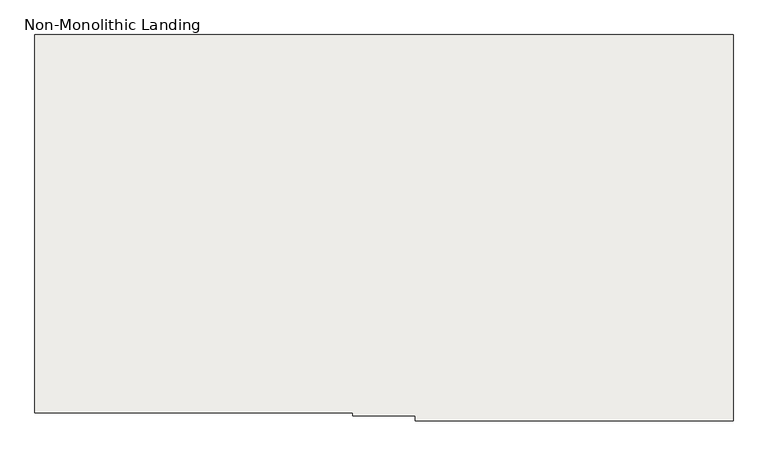
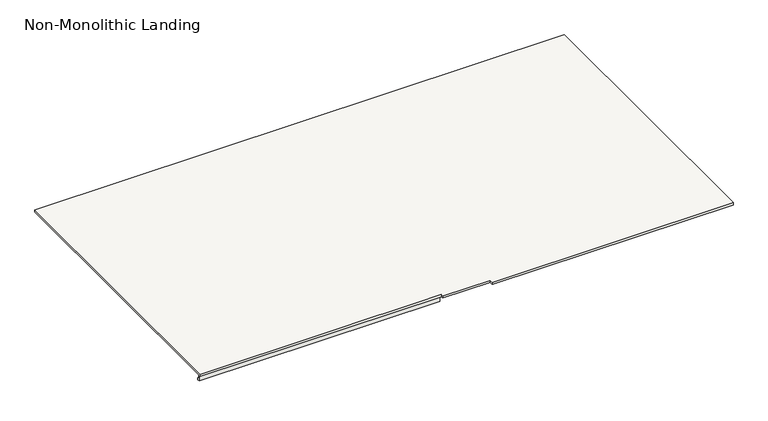
"""IFC4 building model written with IfcOpenShell, lengths in millimetres: slab geometry, Non-Monolithic Landing."""

from ifc_helpers import new_model, si_unit, origin, place, context, project, spatial, faceted_brep, source, transform, mapped, element, save


def non_monolithic_landing_cb8e74c8(model_context):
    return source(origin(), model_context, "Body", "Brep", [
        faceted_brep([(-11015.7515248, -838.9832568, 2321.5294118), (-11015.7515248, -2028.9832568, 2321.5294118), (-10015.7515248, -2028.9832568, 2321.5294118), (-10015.7515248, -2038.9832568, 2321.5294118), (-9819.2515248, -2038.9832568, 2321.5294118), (-9819.2515248, -2053.9832568, 2321.5294118), (-8819.2515248, -2053.9832568, 2321.5294118), (-8819.2515248, -2038.9832568, 2321.5294118), (-8819.2515248, -838.9832568, 2321.5294118), (-10015.7515248, -2028.9832568, 2311.5294118), (-11015.7515248, -2028.9832568, 2311.5294118), (-11015.7515248, -2018.9832568, 2311.5294118), (-10015.7515248, -2018.9832568, 2311.5294118), (-10015.7515248, -2015.6889024, 2311.5294118), (-11015.7515248, -2015.6889024, 2311.5294118), (-11015.7515248, -838.9832568, 2311.5294118), (-8819.2515248, -838.9832568, 2311.5294118), (-8819.2515248, -2038.9832568, 2311.5294118), (-8819.2515248, -2053.9832568, 2311.5294118), (-9819.2515248, -2053.9832568, 2311.5294118), (-9819.2515248, -2038.9832568, 2311.5294118), (-10015.7515248, -2038.9832568, 2311.5294118), (-11015.7515248, -2015.6889024, 2294.8944381), (-11015.7515248, -2009.7889347, 2294.9074412), (-11015.7515248, -2009.7889347, 2285.6487924), (-11015.7515248, -2018.9832568, 2285.6487924), (-10015.7515248, -2018.9832568, 2285.6487924), (-10015.7515248, -2009.7889347, 2285.6487924), (-10015.7515248, -2009.7889347, 2294.9074412), (-10015.7515248, -2015.6889024, 2294.8944381)], [[[0, 1, 2, 3, 4, 5, 6, 7, 8]], [[9, 10, 11, 12, 13, 14, 15, 16, 17, 18, 19, 20, 21]], [[8, 7, 17, 16]], [[0, 8, 16, 15]], [[0, 15, 14, 22, 23, 24, 25, 11, 10, 1]], [[26, 27, 28, 29, 13, 12]], [[25, 26, 12, 11]], [[27, 26, 25, 24]], [[28, 27, 24, 23]], [[29, 28, 23, 22]], [[29, 22, 14, 13]], [[2, 1, 10, 9]], [[3, 2, 9, 21]], [[4, 3, 21, 20]], [[5, 4, 20, 19]], [[6, 5, 19, 18]], [[7, 6, 18, 17]]]),
    ])


if __name__ == "__main__":
    model = new_model("IFC4")
    model_context = context("Model", 3, world=origin())
    ifc_project = project(units=[si_unit("LENGTHUNIT", "METRE", prefix="MILLI")], contexts=[model_context])
    site = spatial("IfcSite", under=ifc_project)
    building = spatial("IfcBuilding", under=site)
    placement = place(None, origin())
    non_monolithic_landing_shape = non_monolithic_landing_cb8e74c8(model_context)
    element("IfcSlab", 1, ObjectType="Non-Monolithic Landing", at=placement, inside=building, context=model_context, shape_type="MappedRepresentation", body=[
        mapped(non_monolithic_landing_shape, transform((0.0, 0.0, 0.0), x_axis=(1.0, 0.0, 0.0), y_axis=(0.0, 1.0, 0.0), z_axis=(0.0, 0.0, 1.0))),
    ])
    save(model, "model.ifc")
